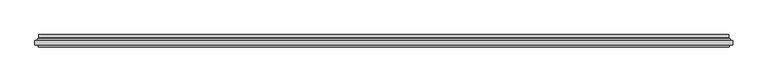
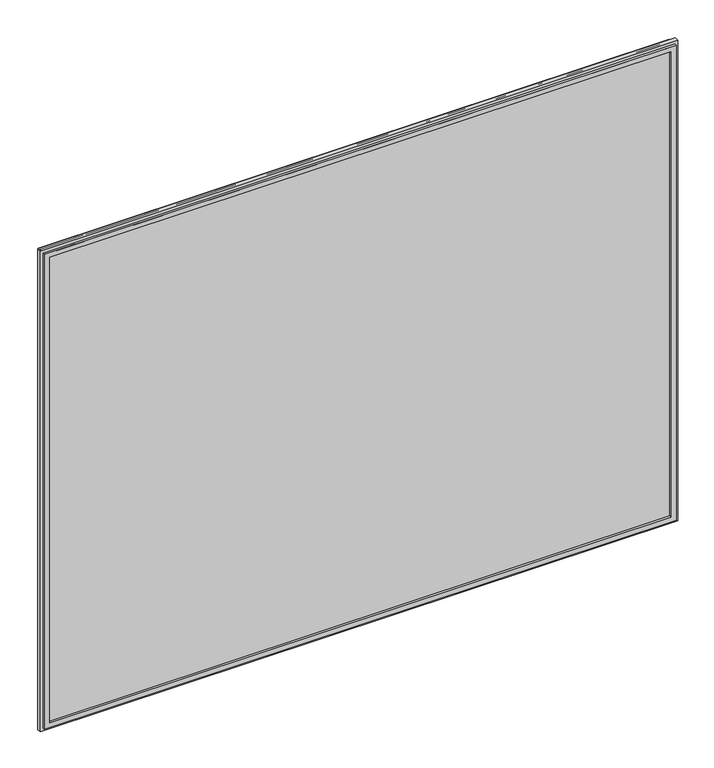
"""IFC4 building model written with IfcOpenShell, lengths in millimetres: plate geometry."""

from ifc_helpers import new_model, si_unit, frame, origin, place, context, project, spatial, polyline, ellipse_curve, outline, extrude, source, transform, mapped, element, save
from ifc_brep_helpers import plane_surface, cylinder_surface, revolved_surface, advanced_brep


def plate_c87c7106(model_context):
    return source(origin(), model_context, "Body", "SolidModel", [
        advanced_brep(
        [(-600.0000001, 4.8968153, 19.5), (600.0000001, 4.8968153, 19.5), (600.0000001, 11.0, 19.5), (-600.0000001, 11.0, 19.5), (600.0000001, 4.8968153, 969.5000002), (600.0000001, 11.0, 969.5000002), (-600.0000001, 4.8968153, 969.5000002), (-600.0000001, 11.0, 969.5000002), (-610.1737948, 1.0, 9.3262053), (610.1737948, 1.0, 9.3262053), (610.1737948, 1.0, 979.6737949), (-610.1737948, 1.0, 979.6737949), (599.7225564, 1.0, 19.7774437), (-599.7225564, 1.0, 19.7774437), (-599.7225564, 1.0, 969.2225565), (599.7225564, 1.0, 969.2225565), (609.0000001, 11.0, 10.5), (-609.0000001, 11.0, 10.5), (-609.0000001, 11.0, 978.5000002), (609.0000001, 11.0, 978.5000002), (609.0000001, 5.9174454, 10.5), (-609.0000001, 5.9174454, 10.5), (609.0000001, 5.9174454, 978.5000002), (-609.0000001, 5.9174454, 978.5000002), (-599.0765978, 3.2113072, 20.4234023), (599.0765978, 3.2113072, 20.4234023), (-610.5737753, 3.96339, 8.9262248), (610.5737753, 3.96339, 8.9262248), (599.0765978, 3.2113072, 968.5765979), (610.5737753, 3.96339, 980.0737755), (-599.0765978, 3.2113072, 968.5765979), (-610.5737753, 3.96339, 980.0737755)],
        [
            (0, 1),
            (1, 2),
            (2, 3),
            (3, 0),
            (1, 4),
            (4, 5),
            (5, 2),
            (4, 6),
            (6, 7),
            (7, 5),
            (8, 9),
            (9, 10),
            (10, 11),
            (11, 8),
            (12, 13),
            (13, 14),
            (14, 15),
            (15, 12),
            (16, 17),
            (17, 18),
            (18, 19),
            (19, 16),
            (7, 3),
            (6, 0),
            (16, 20),
            (20, 21),
            (21, 17),
            (19, 22),
            (22, 20),
            (18, 23),
            (23, 22),
            (21, 23),
            (24, 25),
            (25, 1, ellipse_curve(frame((598.0000001, 4.8968153, 21.5), z_axis=(0.7071067811865475, 0.0, 0.7071067811865475), x_axis=(0.7071067811865476, 0.0, -0.7071067811865474)), 2.8284271, 2.0)),
            (0, 24, ellipse_curve(frame((-598.0000001, 4.8968153, 21.5), z_axis=(-0.7071067811865475, 0.0, 0.7071067811865475), x_axis=(0.7071067811865476, 0.0, 0.7071067811865474)), 2.8284271, 2.0)),
            (12, 25, ellipse_curve(frame((599.7225564, 2.2000024, 19.7774437), z_axis=(-0.7071067811865475, 0.0, -0.7071067811865475), x_axis=(-0.7071067811865476, 0.0, 0.7071067811865474)), 1.6970563, 1.2)),
            (24, 13, ellipse_curve(frame((-599.7225564, 2.2000024, 19.7774437), z_axis=(0.7071067811865475, 0.0, -0.7071067811865475), x_axis=(-0.7071067811865476, 0.0, -0.7071067811865474)), 1.6970563, 1.2)),
            (26, 27),
            (27, 9, ellipse_curve(frame((610.2541068, 2.4978485, 9.2458934), z_axis=(-0.7071067811865475, 0.0, -0.7071067811865475), x_axis=(-0.7071067811865476, 0.0, 0.7071067811865474)), 2.1213203, 1.5)),
            (8, 26, ellipse_curve(frame((-610.2541068, 2.4978485, 9.2458934), z_axis=(0.7071067811865475, 0.0, -0.7071067811865475), x_axis=(-0.7071067811865476, 0.0, -0.7071067811865474)), 2.1213203, 1.5)),
            (20, 27, ellipse_curve(frame((611.0000001, 5.9174454, 8.5), z_axis=(0.7071067811865475, 0.0, 0.7071067811865475), x_axis=(0.7071067811865476, 0.0, -0.7071067811865474)), 2.8284271, 2.0)),
            (26, 21, ellipse_curve(frame((-611.0000001, 5.9174454, 8.5), z_axis=(-0.7071067811865475, 0.0, 0.7071067811865475), x_axis=(0.7071067811865476, 0.0, 0.7071067811865474)), 2.8284271, 2.0)),
            (25, 28),
            (28, 4, ellipse_curve(frame((598.0000001, 4.8968153, 967.5000002), z_axis=(-0.7071067811865475, 0.0, 0.7071067811865475), x_axis=(0.7071067811865474, 0.0, 0.7071067811865476)), 2.8284271, 2.0)),
            (15, 28, ellipse_curve(frame((599.7225564, 2.2000024, 969.2225565), z_axis=(0.7071067811865475, 0.0, -0.7071067811865475), x_axis=(-0.7071067811865474, 0.0, -0.7071067811865476)), 1.6970563, 1.2)),
            (27, 29),
            (29, 10, ellipse_curve(frame((610.2541068, 2.4978485, 979.7541069), z_axis=(0.7071067811865475, 0.0, -0.7071067811865475), x_axis=(-0.7071067811865474, 0.0, -0.7071067811865476)), 2.1213203, 1.5)),
            (22, 29, ellipse_curve(frame((611.0000001, 5.9174454, 980.5000002), z_axis=(-0.7071067811865475, 0.0, 0.7071067811865475), x_axis=(0.7071067811865474, 0.0, 0.7071067811865476)), 2.8284271, 2.0)),
            (28, 30),
            (30, 6, ellipse_curve(frame((-598.0000001, 4.8968153, 967.5000002), z_axis=(-0.7071067811865475, 0.0, -0.7071067811865475), x_axis=(-0.7071067811865476, 0.0, 0.7071067811865474)), 2.8284271, 2.0)),
            (14, 30, ellipse_curve(frame((-599.7225564, 2.2000024, 969.2225565), z_axis=(0.7071067811865475, 0.0, 0.7071067811865475), x_axis=(0.7071067811865476, 0.0, -0.7071067811865474)), 1.6970563, 1.2)),
            (29, 31),
            (31, 11, ellipse_curve(frame((-610.2541068, 2.4978485, 979.7541069), z_axis=(0.7071067811865475, 0.0, 0.7071067811865475), x_axis=(0.7071067811865476, 0.0, -0.7071067811865474)), 2.1213203, 1.5)),
            (23, 31, ellipse_curve(frame((-611.0000001, 5.9174454, 980.5000002), z_axis=(-0.7071067811865475, 0.0, -0.7071067811865475), x_axis=(-0.7071067811865476, 0.0, 0.7071067811865474)), 2.8284271, 2.0)),
            (30, 24),
            (31, 26),
        ],
        [
            plane_surface(frame((-600.0000001, 11.0, 19.5), z_axis=(0.0, 0.0, 1.0), x_axis=(1.0, 0.0, 0.0))),
            plane_surface(frame((600.0000001, 11.0, 19.5), z_axis=(-1.0, 0.0, 0.0), x_axis=(0.0, 0.0, 1.0))),
            plane_surface(frame((600.0000001, 11.0, 969.5000002), z_axis=(0.0, 0.0, -1.0), x_axis=(-1.0, 0.0, 0.0))),
            plane_surface(frame((-599.7225564, 1.0, 969.2225565), z_axis=(0.0, -1.0, 0.0), x_axis=(0.0, 0.0, -1.0))),
            plane_surface(frame((-609.0000001, 11.0, 978.5000002), z_axis=(0.0, 1.0, 0.0), x_axis=(0.0, 0.0, -1.0))),
            plane_surface(frame((-600.0000001, 11.0, 969.5000002), z_axis=(1.0, 0.0, 0.0), x_axis=(0.0, 0.0, -1.0))),
            plane_surface(frame((-609.0000001, 5.9174454, 10.5), z_axis=(0.0, 0.0, -1.0), x_axis=(1.0, 0.0, 0.0))),
            plane_surface(frame((609.0000001, 5.9174454, 10.5), z_axis=(1.0, 0.0, 0.0), x_axis=(0.0, 0.0, 1.0))),
            plane_surface(frame((609.0000001, 5.9174454, 978.5000002), z_axis=(0.0, 0.0, 1.0), x_axis=(-1.0, 0.0, 0.0))),
            plane_surface(frame((-609.0000001, 5.9174454, 978.5000002), z_axis=(-1.0, 0.0, 0.0), x_axis=(0.0, 0.0, -1.0))),
            revolved_surface(polyline([(600.0000001, 2.8968153, 21.5), (-600.0000001, 2.8968153, 21.5)]), (-619.5000001, 4.8968153, 21.5), (1.0, 0.0, 0.0)),
            cylinder_surface(frame((-619.5000001, 2.2000024, 19.7774437), z_axis=(-1.0, 0.0, 0.0), x_axis=(0.0, -1.0, 0.0)), 1.2),
            cylinder_surface(frame((-619.5000001, 2.4978485, 9.2458934), z_axis=(-1.0, 0.0, 0.0), x_axis=(0.0, -1.0, 0.0)), 1.5),
            revolved_surface(polyline([(613.0000000825017, 3.9174454, 8.5), (-613.0000000825017, 3.9174454, 8.5)]), (-619.5000001, 5.9174454, 8.5), (1.0, 0.0, 0.0)),
            revolved_surface(polyline([(598.0000001, 2.8968153, 969.5000002), (598.0000001, 2.8968153, 19.5)]), (598.0000001, 4.8968153, 0.0), (0.0, 0.0, 1.0)),
            cylinder_surface(frame((599.7225564, 2.2000024, 0.0), z_axis=(0.0, 0.0, -1.0), x_axis=(0.0, -1.0, 0.0)), 1.2),
            cylinder_surface(frame((610.2541068, 2.4978485, 0.0), z_axis=(0.0, 0.0, -1.0), x_axis=(0.0, -1.0, 0.0)), 1.5),
            revolved_surface(polyline([(611.0000001, 3.9174454, 982.5000001825018), (611.0000001, 3.9174454, 6.500000017498199)]), (611.0000001, 5.9174454, 0.0), (0.0, 0.0, 1.0)),
            revolved_surface(polyline([(-600.0000001, 2.8968153, 967.5000002), (600.0000001, 2.8968153, 967.5000002)]), (619.5000001, 4.8968153, 967.5000002), (-1.0, 0.0, 0.0)),
            cylinder_surface(frame((619.5000001, 2.2000024, 969.2225565), z_axis=(1.0, 0.0, 0.0), x_axis=(0.0, -1.0, 0.0)), 1.2),
            cylinder_surface(frame((619.5000001, 2.4978485, 979.7541069), z_axis=(1.0, 0.0, 0.0), x_axis=(0.0, -1.0, 0.0)), 1.5),
            revolved_surface(polyline([(-613.0000000825017, 3.9174454, 980.5000002), (613.0000000825017, 3.9174454, 980.5000002)]), (619.5000001, 5.9174454, 980.5000002), (-1.0, 0.0, 0.0)),
            revolved_surface(polyline([(-598.0000001, 2.8968153, 19.5), (-598.0000001, 2.8968153, 969.5000002)]), (-598.0000001, 4.8968153, 989.0000002), (0.0, 0.0, -1.0)),
            cylinder_surface(frame((-599.7225564, 2.2000024, 989.0000002), z_axis=(0.0, 0.0, 1.0), x_axis=(0.0, -1.0, 0.0)), 1.2),
            cylinder_surface(frame((-610.2541068, 2.4978485, 989.0000002), z_axis=(0.0, 0.0, 1.0), x_axis=(0.0, -1.0, 0.0)), 1.5),
            revolved_surface(polyline([(-611.0000001, 3.9174454, 6.500000017498223), (-611.0000001, 3.9174454, 982.5000001825018)]), (-611.0000001, 5.9174454, 989.0000002), (0.0, 0.0, -1.0)),
        ],
        [
            (0, [[1, 2, 3, 4]]),
            (1, [[5, 6, 7, -2]]),
            (2, [[8, 9, 10, -6]]),
            (3, [[11, 12, 13, 14], [15, 16, 17, 18]]),
            (4, [[19, 20, 21, 22], [-3, -7, -10, 23]]),
            (5, [[24, -4, -23, -9]]),
            (6, [[-19, 25, 26, 27]]),
            (7, [[-22, 28, 29, -25]]),
            (8, [[-21, 30, 31, -28]]),
            (9, [[-20, -27, 32, -30]]),
            (10, [[33, 34, -1, 35]]),
            (11, [[-15, 36, -33, 37]]),
            (12, [[38, 39, -11, 40]]),
            (13, [[-26, 41, -38, 42]]),
            (14, [[43, 44, -5, -34]]),
            (15, [[-18, 45, -43, -36]]),
            (16, [[46, 47, -12, -39]]),
            (17, [[-29, 48, -46, -41]]),
            (18, [[49, 50, -8, -44]]),
            (19, [[-17, 51, -49, -45]]),
            (20, [[52, 53, -13, -47]]),
            (21, [[-31, 54, -52, -48]]),
            (22, [[55, -35, -24, -50]]),
            (23, [[-16, -37, -55, -51]]),
            (24, [[56, -40, -14, -53]]),
            (25, [[-32, -42, -56, -54]]),
        ],
    ),
        extrude(outline(polyline([(9.5, -610.0000001), (9.5, 610.0000001), (979.5000002, 610.0000001), (979.5000002, -610.0000001), (9.5, -610.0000001)]), holes=[polyline([(19.5, 600.0000001), (19.5, -600.0000001), (969.5000002, -600.0000001), (969.5000002, 600.0000001), (19.5, 600.0000001)])]), frame((0.0, -11.0, 0.0), z_axis=(0.0, 1.0, 0.0), x_axis=(0.0, 0.0, 1.0)), (0.0, 0.0, 1.0), 4.0),
        extrude(outline(polyline([(-615.5000001, -7.0), (-615.5000001, 1.0), (615.5000001, 1.0), (615.5000001, -7.0), (-615.5000001, -7.0)])), frame((0.0, 0.0, 4.0), z_axis=(0.0, 0.0, 1.0), x_axis=(1.0, 0.0, 0.0)), (0.0, 0.0, 1.0), 981.0000002),
    ])


if __name__ == "__main__":
    model = new_model("IFC4")
    model_context = context("Model", 3, world=origin())
    ifc_project = project(units=[si_unit("LENGTHUNIT", "METRE", prefix="MILLI")], contexts=[model_context])
    site = spatial("IfcSite", under=ifc_project)
    building = spatial("IfcBuilding", under=site)
    placement = place(None, origin())
    plate_shape = plate_c87c7106(model_context)
    element("IfcPlate", 1, at=placement, inside=building, context=model_context, shape_type="MappedRepresentation", body=[
        mapped(plate_shape, transform((0.0, 0.0, 0.0), x_axis=(1.0, 0.0, 0.0), y_axis=(0.0, 1.0, 0.0), z_axis=(0.0, 0.0, 1.0))),
    ])
    save(model, "model.ifc")
